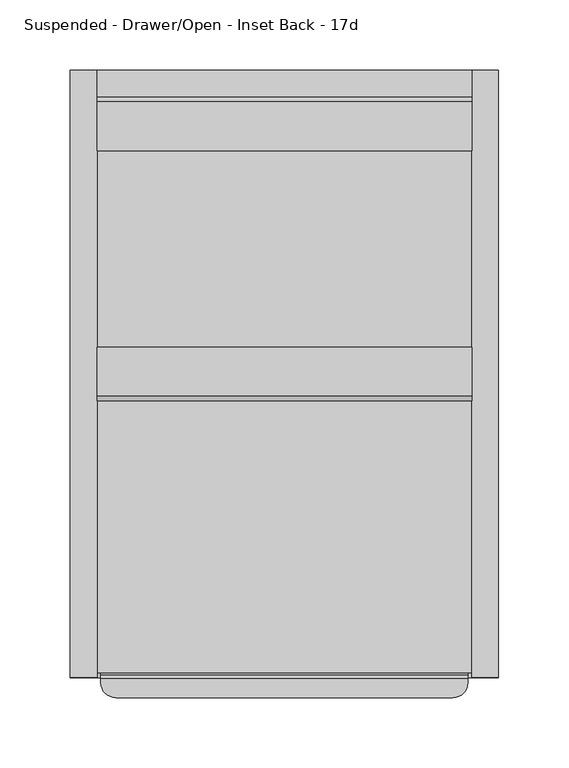
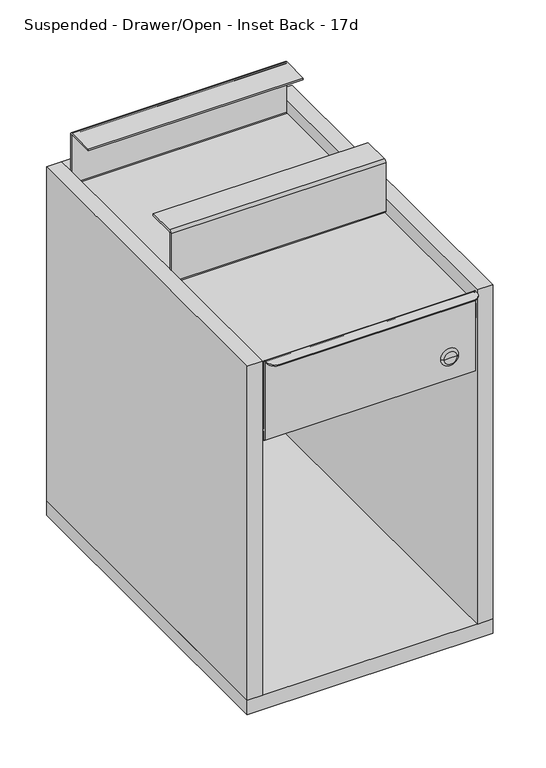
"""IFC4 building model written with IfcOpenShell, lengths in millimetres: furniture geometry, Suspended - Drawer/Open - Inset Back - 17d."""

from ifc_helpers import new_model, si_unit, point, frame, frame_2d, origin, place, context, project, spatial, polyline, circle_curve, ellipse_curve, trimmed, segment, composite_curve, outline, extrude, source, transform, mapped, element, save
from ifc_brep_helpers import plane_surface, cylinder_surface, revolved_surface, advanced_brep


def suspended_drawer_open_inset_back_17d_6cff9d16(model_context):
    return source(origin(), model_context, "Body", "SolidModel", [
        advanced_brep(
        [(-287.4310303, -508.8580872, 657.225), (-287.4310303, -506.4768372, 654.84375), (-287.4310303, -506.4768372, 565.1500242), (-287.4310303, -176.276062, 565.1500242), (-287.4310303, -176.276062, 563.661743), (-287.4310303, -506.4768372, 563.661743), (-287.4310303, -506.4768372, 552.45), (-287.4310303, -508.0, 552.45), (-287.4310303, -508.0, 654.9456879), (-287.4310303, -508.7552772, 655.7009651), (-287.4310303, -511.8582916, 655.7009651), (-287.4310303, -511.8582916, 657.225), (-26.2872803, -508.7552772, 655.7009651), (-26.2872803, -508.0, 654.9456879), (-26.2872803, -508.0, 552.45), (-26.2872803, -506.4768372, 552.45), (-26.2872803, -506.4768372, 563.661743), (-26.2872803, -176.276062, 563.661743), (-26.2872803, -176.276062, 565.1500242), (-26.2872803, -506.4768372, 565.1500242), (-26.2872803, -506.4768372, 654.84375), (-26.2872803, -508.8580872, 657.225), (-26.2872803, -511.8582916, 657.225), (-26.2872803, -511.8582916, 655.7009651), (-276.9378724, -522.3514496, 657.225), (-36.7804383, -522.3514496, 657.225), (-36.7804383, -522.3514496, 655.7009651), (-276.9378724, -522.3514496, 655.7009651)],
        [
            (0, 1, circle_curve(frame((-287.4310303, -508.8580872, 654.84375), z_axis=(-1.0, 0.0, 0.0), x_axis=(0.0, 1.0, 0.0)), 2.38125)),
            (1, 2),
            (2, 3),
            (3, 4),
            (4, 5),
            (5, 6),
            (6, 7),
            (7, 8),
            (8, 9, circle_curve(frame((-287.4310303, -508.7552772, 654.9456879), z_axis=(1.0, 0.0, 0.0), x_axis=(0.0, 1.0, 0.0)), 0.7552772)),
            (9, 10),
            (10, 11),
            (11, 0),
            (12, 13, circle_curve(frame((-26.2872803, -508.7552772, 654.9456879), z_axis=(-1.0, 0.0, 0.0), x_axis=(0.0, 1.0, 0.0)), 0.7552772)),
            (13, 14),
            (14, 15),
            (15, 16),
            (16, 17),
            (17, 18),
            (18, 19),
            (19, 20),
            (20, 21, circle_curve(frame((-26.2872803, -508.8580872, 654.84375), z_axis=(1.0, 0.0, 0.0), x_axis=(0.0, 1.0, 0.0)), 2.38125)),
            (21, 22),
            (22, 23),
            (23, 12),
            (21, 0),
            (11, 24, circle_curve(frame((-276.9378724, -511.8582916, 657.225), z_axis=(0.0, 0.0, 1.0), x_axis=(-1.0, 0.0, 0.0)), 10.493158)),
            (24, 25),
            (25, 22, circle_curve(frame((-36.7804383, -511.8582916, 657.225), z_axis=(0.0, 0.0, 1.0), x_axis=(-1.0, 0.0, 0.0)), 10.493158)),
            (20, 1),
            (19, 2),
            (18, 3),
            (17, 4),
            (16, 5),
            (15, 6),
            (14, 7),
            (13, 8),
            (12, 9),
            (23, 26, circle_curve(frame((-36.7804383, -511.8582916, 655.7009651), z_axis=(0.0, 0.0, -1.0), x_axis=(-1.0, 0.0, 0.0)), 10.493158)),
            (26, 27),
            (27, 10, circle_curve(frame((-276.9378724, -511.8582916, 655.7009651), z_axis=(0.0, 0.0, -1.0), x_axis=(-1.0, 0.0, 0.0)), 10.493158)),
            (24, 27),
            (26, 25),
        ],
        [
            plane_surface(frame((-287.4310303, -508.0, 657.225), z_axis=(-1.0, 0.0, 0.0), x_axis=(0.0, 0.0, 1.0))),
            plane_surface(frame((-26.2872803, -508.0, 657.225), z_axis=(1.0, 0.0, 0.0), x_axis=(0.0, 0.0, 1.0))),
            plane_surface(frame((-287.4310303, -522.3514496, 657.225), z_axis=(0.0, 0.0, 1.0), x_axis=(1.0, 0.0, 0.0))),
            cylinder_surface(frame((-287.4310303, -508.8580872, 654.84375), z_axis=(-1.0, 0.0, 0.0), x_axis=(0.0, 1.0, 0.0)), 2.38125),
            plane_surface(frame((-287.4310303, -506.4768372, 654.84375), z_axis=(0.0, 1.0, 0.0), x_axis=(1.0, 0.0, 0.0))),
            plane_surface(frame((-287.4310303, -506.4768372, 565.1500242), z_axis=(0.0, 0.0, 1.0), x_axis=(1.0, 0.0, 0.0))),
            plane_surface(frame((-287.4310303, -176.276062, 565.1500242), z_axis=(0.0, 1.0, 0.0), x_axis=(1.0, 0.0, 0.0))),
            plane_surface(frame((-287.4310303, -176.276062, 563.661743), z_axis=(0.0, 0.0, -1.0), x_axis=(1.0, 0.0, 0.0))),
            plane_surface(frame((-287.4310303, -506.4768372, 563.661743), z_axis=(0.0, 1.0, 0.0), x_axis=(1.0, 0.0, 0.0))),
            plane_surface(frame((-287.4310303, -506.4768372, 552.45), z_axis=(0.0, 0.0, -1.0), x_axis=(1.0, 0.0, 0.0))),
            plane_surface(frame((-287.4310303, -508.0, 552.45), z_axis=(0.0, -1.0, 0.0), x_axis=(1.0, 0.0, 0.0))),
            revolved_surface(polyline([(-26.28728030000002, -508.0, 654.9456879), (-287.4310303, -508.0, 654.9456879)]), (-287.4310303, -508.7552772, 654.9456879), (1.0, 0.0, 0.0)),
            plane_surface(frame((-287.4310303, -508.7552772, 655.7009651), z_axis=(0.0, 0.0, -1.0), x_axis=(1.0, 0.0, 0.0))),
            plane_surface(frame((-287.4310303, -522.3514496, 655.7009651), z_axis=(0.0, -1.0, 0.0), x_axis=(1.0, 0.0, 0.0))),
            cylinder_surface(frame((-36.7804383, -511.8582916, 582.215625), z_axis=(0.0, 0.0, -1.0), x_axis=(-1.0, 0.0, 0.0)), 10.493158),
            cylinder_surface(frame((-276.9378724, -511.8582916, 657.225), z_axis=(0.0, 0.0, -1.0), x_axis=(-1.0, 0.0, 0.0)), 10.493158),
        ],
        [
            (0, [[1, 2, 3, 4, 5, 6, 7, 8, 9, 10, 11, 12]]),
            (1, [[13, 14, 15, 16, 17, 18, 19, 20, 21, 22, 23, 24]]),
            (2, [[25, -12, 26, 27, 28, -22]]),
            (3, [[-1, -25, -21, 29]]),
            (4, [[-2, -29, -20, 30]]),
            (5, [[-3, -30, -19, 31]]),
            (6, [[-4, -31, -18, 32]]),
            (7, [[-5, -32, -17, 33]]),
            (8, [[-6, -33, -16, 34]]),
            (9, [[-7, -34, -15, 35]]),
            (10, [[-8, -35, -14, 36]]),
            (11, [[-9, -36, -13, 37]]),
            (12, [[-37, -24, 38, 39, 40, -10]]),
            (13, [[-27, 41, -39, 42]]),
            (14, [[-23, -28, -42, -38]]),
            (15, [[-11, -40, -41, -26]]),
        ],
    ),
        advanced_brep(
        [(-66.3732056, -511.1742249, 582.215625), (-50.495105, -511.1742249, 582.215625), (-58.4341553, -511.1742249, 582.215625), (-69.5474305, -508.0, 582.215625), (-47.3208802, -508.0, 582.215625), (-58.4341553, -508.0, 582.215625)],
        [
            (0, 1, circle_curve(frame((-58.4341553, -511.1742249, 582.215625), z_axis=(0.0, -1.0, 0.0), x_axis=(1.0, 0.0, 0.0)), 7.9390503)),
            (1, 2),
            (2, 0),
            (1, 0, circle_curve(frame((-58.4341553, -511.1742249, 582.215625), z_axis=(0.0, -1.0, 0.0), x_axis=(1.0, 0.0, 0.0)), 7.9390503)),
            (3, 4, circle_curve(frame((-58.4341553, -508.0, 582.215625), z_axis=(0.0, -1.0, 0.0), x_axis=(1.0, 0.0, 0.0)), 11.1132751)),
            (4, 1, circle_curve(frame((-50.495105, -508.0, 582.215625), z_axis=(0.0, 0.0, -1.0), x_axis=(-1.0, 0.0, 0.0)), 3.1742249)),
            (0, 3, circle_curve(frame((-66.3732056, -508.0, 582.215625), z_axis=(0.0, 0.0, -1.0), x_axis=(1.0, 0.0, 0.0)), 3.1742249)),
            (4, 3, circle_curve(frame((-58.4341553, -508.0, 582.215625), z_axis=(0.0, -1.0, 0.0), x_axis=(1.0, 0.0, 0.0)), 11.1132751)),
            (5, 4),
            (3, 5),
        ],
        [
            plane_surface(frame((-58.4341553, -511.1742249, 582.215625), z_axis=(0.0, -1.0, 0.0), x_axis=(1.0, 0.0, 0.0))),
            revolved_surface(trimmed(ellipse_curve(frame((-50.495105, -508.0, 582.215625), z_axis=(0.0, 0.0, 1.0), x_axis=(-1.0, 0.0, 0.0)), 3.1742249, 3.1742249), [point((-50.495105, -511.1742249, 582.215625))], [point((-47.3208802, -508.0, 582.215625))], True, "CARTESIAN"), (-58.4341553, -497.186308, 582.215625), (0.0, 1.0, 0.0)),
            plane_surface(frame((-58.4341553, -508.0, 582.215625), z_axis=(0.0, 1.0, 0.0), x_axis=(1.0, 0.0, 0.0))),
        ],
        [
            (0, [[1, 2, 3]]),
            (0, [[4, -3, -2]]),
            (1, [[5, 6, -1, 7]]),
            (1, [[8, -7, -4, -6]]),
            (2, [[9, -5, 10]]),
            (2, [[-10, -8, -9]]),
        ],
    ),
        extrude(outline(composite_curve([segment(trimmed(circle_curve(frame_2d((-98.3060119, 641.2310846)), 0.7701049), [point((-98.3060119, 640.4609797))], [point((-97.535907, 641.2310846))], True, "CARTESIAN"), True, "CONTINUOUS"), segment(polyline([(-97.535907, 641.2310846), (-97.535907, 704.9599763)]), True, "CONTINUOUS"), segment(trimmed(circle_curve(frame_2d((-98.3228479, 704.9599763)), 0.7869409), [point((-97.535907, 704.9599763))], [point((-98.3228479, 705.7469172))], True, "CARTESIAN"), True, "CONTINUOUS"), segment(polyline([(-98.3228479, 705.7469172), (-133.35, 705.7469172), (-133.35, 708.0328968), (-98.4382722, 708.0328968)]), True, "CONTINUOUS"), segment(trimmed(circle_curve(frame_2d((-98.4382722, 704.8446246)), 3.1882722), [point((-98.4382722, 708.0328968))], [point((-95.25, 704.8446246))], False, "CARTESIAN"), True, "CONTINUOUS"), segment(polyline([(-95.25, 704.8446246), (-95.25, 641.35)]), True, "CONTINUOUS"), segment(trimmed(circle_curve(frame_2d((-98.425, 641.35)), 3.175), [point((-95.25, 641.35))], [point((-98.425, 638.175))], False, "CARTESIAN"), True, "CONTINUOUS"), segment(polyline([(-98.425, 638.175), (-308.0082252, 638.175)]), True, "CONTINUOUS"), segment(trimmed(circle_curve(frame_2d((-308.0082252, 641.3169686)), 3.1419686), [point((-308.0082252, 638.175))], [point((-311.1501938, 641.3169686))], False, "CARTESIAN"), True, "CONTINUOUS"), segment(polyline([(-311.1501938, 641.3169686), (-311.1501938, 704.893118)]), True, "CONTINUOUS"), segment(trimmed(circle_curve(frame_2d((-308.0104149, 704.893118)), 3.1397788), [point((-311.1501938, 704.893118))], [point((-308.0104149, 708.0328968))], False, "CARTESIAN"), True, "CONTINUOUS"), segment(polyline([(-308.0104149, 708.0328968), (-273.0501938, 708.0328968), (-273.0501938, 705.7469172), (-308.0633753, 705.7469172)]), True, "CONTINUOUS"), segment(trimmed(circle_curve(frame_2d((-308.0633753, 704.9460057)), 0.8009115), [point((-308.0633753, 705.7469172))], [point((-308.8642868, 704.9460057))], True, "CARTESIAN"), True, "CONTINUOUS"), segment(polyline([(-308.8642868, 704.9460057), (-308.8642868, 641.2099049)]), True, "CONTINUOUS"), segment(trimmed(circle_curve(frame_2d((-308.1153615, 641.2099049)), 0.7489253), [point((-308.8642868, 641.2099049))], [point((-308.1153615, 640.4609797))], True, "CARTESIAN"), True, "CONTINUOUS"), segment(polyline([(-308.1153615, 640.4609797), (-98.3060119, 640.4609797)]), True, "CONTINUOUS")], self_intersect=False)), frame((-290.2091553, 0.0, 0.0), z_axis=(1.0, 0.0, 0.0), x_axis=(0.0, 1.0, 0.0)), (0.0, 0.0, 1.0), 266.7),
        extrude(outline(polyline([(-23.5091553, -95.25), (-23.5091553, -504.825), (-290.2091553, -504.825), (-290.2091553, -95.25), (-23.5091553, -95.25)])), frame((0.0, 0.0, 619.125), z_axis=(0.0, 0.0, 1.0), x_axis=(1.0, 0.0, 0.0)), (0.0, 0.0, 1.0), 19.05),
        extrude(outline(polyline([(-23.5091553, -95.25), (-290.2091553, -95.25), (-290.2091553, -76.2), (-23.5091553, -76.2), (-23.5091553, -95.25)])), frame((0.0, 0.0, 219.075), z_axis=(0.0, 0.0, 1.0), x_axis=(1.0, 0.0, 0.0)), (0.0, 0.0, 1.0), 438.15),
        extrude(outline(polyline([(-4.4591553, -76.2), (-4.4591553, -508.0), (-23.5091553, -508.0), (-23.5091553, -76.2), (-4.4591553, -76.2)])), frame((0.0, 0.0, 219.075), z_axis=(0.0, 0.0, 1.0), x_axis=(1.0, 0.0, 0.0)), (0.0, 0.0, 1.0), 438.15),
        extrude(outline(polyline([(-309.2591553, -508.0), (-309.2591553, -76.2), (-290.2091553, -76.2), (-290.2091553, -508.0), (-309.2591553, -508.0)])), frame((0.0, 0.0, 219.075), z_axis=(0.0, 0.0, 1.0), x_axis=(1.0, 0.0, 0.0)), (0.0, 0.0, 1.0), 438.15),
        extrude(outline(polyline([(-4.4591553, -76.2), (-4.4591553, -508.0), (-309.2591553, -508.0), (-309.2591553, -76.2), (-4.4591553, -76.2)])), frame((0.0, 0.0, 200.025), z_axis=(0.0, 0.0, 1.0), x_axis=(1.0, 0.0, 0.0)), (0.0, 0.0, 1.0), 19.05),
    ])


if __name__ == "__main__":
    model = new_model("IFC4")
    model_context = context("Model", 3, world=origin())
    ifc_project = project(units=[si_unit("LENGTHUNIT", "METRE", prefix="MILLI")], contexts=[model_context])
    site = spatial("IfcSite", under=ifc_project)
    building = spatial("IfcBuilding", under=site)
    placement = place(None, origin())
    suspended_drawer_open_inset_back_17d_shape = suspended_drawer_open_inset_back_17d_6cff9d16(model_context)
    element("IfcFurniture", 1, ObjectType="Suspended - Drawer/Open - Inset Back - 17d", at=placement, inside=building, context=model_context, shape_type="MappedRepresentation", body=[
        mapped(suspended_drawer_open_inset_back_17d_shape, transform((0.0, 0.0, 0.0), x_axis=(1.0, 0.0, 0.0), y_axis=(0.0, 1.0, 0.0), z_axis=(0.0, 0.0, 1.0))),
    ])
    save(model, "model.ifc")
